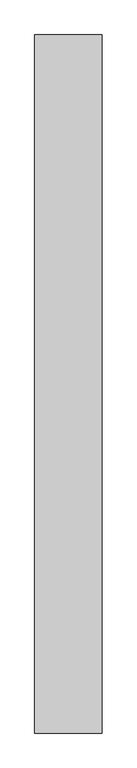
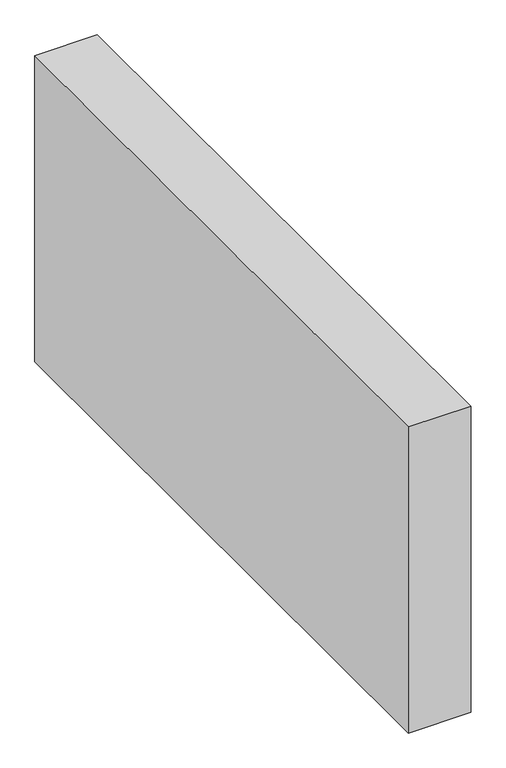
"""IFC4 building model written with IfcOpenShell, lengths in millimetres: proxy geometry."""

from ifc_helpers import new_model, si_unit, origin, origin_with_axes, place, context, project, spatial, polyline, outline, extrude, source, transform, mapped, element, save


def generic_models_6f90b66d(model_context):
    return source(origin(), model_context, "Body", "SweptSolid", [
        extrude(outline(polyline([(150.0, 1552.8424674), (150.0, 0.0), (0.0, 0.0), (0.0, 1552.8424674), (150.0, 1552.8424674)])), origin_with_axes(), (0.0, 0.0, 1.0), 776.6553396),
    ])


if __name__ == "__main__":
    model = new_model("IFC4")
    model_context = context("Model", 3, world=origin())
    ifc_project = project(units=[si_unit("LENGTHUNIT", "METRE", prefix="MILLI")], contexts=[model_context])
    site = spatial("IfcSite", under=ifc_project)
    building = spatial("IfcBuilding", under=site)
    placement = place(None, origin())
    generic_models_shape = generic_models_6f90b66d(model_context)
    element("IfcBuildingElementProxy", 1, Name="Generic Models", at=placement, inside=building, context=model_context, shape_type="MappedRepresentation", body=[
        mapped(generic_models_shape, transform((0.0, 0.0, 0.0), x_axis=(1.0, 0.0, 0.0), y_axis=(0.0, 1.0, 0.0), z_axis=(0.0, 0.0, 1.0))),
    ])
    save(model, "model.ifc")
